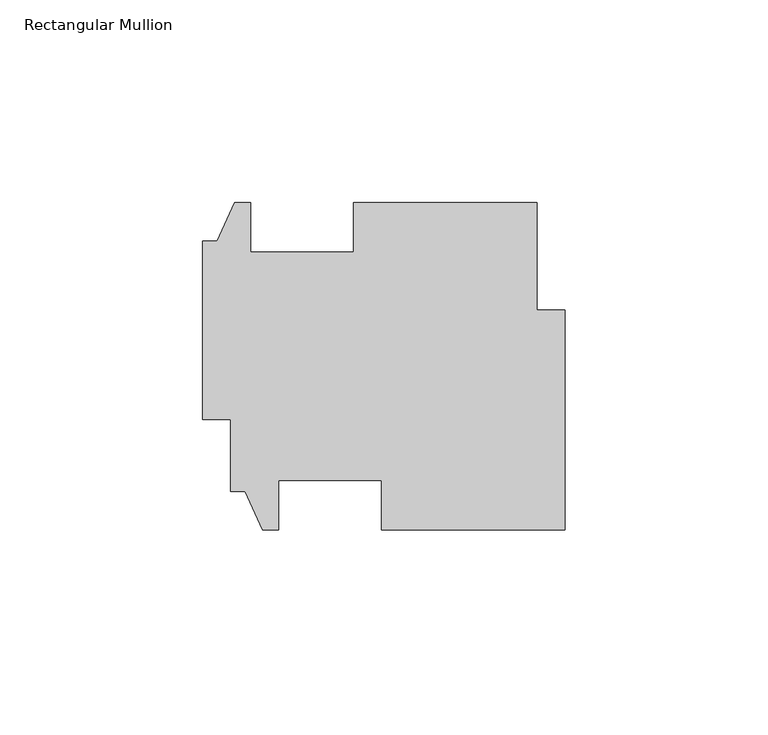
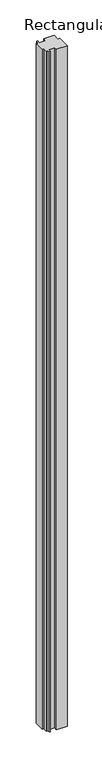
"""IFC4 building model written with IfcOpenShell, lengths in millimetres: member geometry, Rectangular Mullion."""

import ifcopenshell
import ifcopenshell.guid

model = None  # the IFC model being written
_history = None  # IfcOwnerHistory: only IFC2X3 demands one
_inside = {}  # id of a spatial element -> (the spatial element, [elements in it])
_under = {}  # id of a project, library or spatial element -> (it, [spatial elements below it])
_declared = {}  # id of a project -> (the project, [libraries it declares])
_typed = {}  # id of a type object -> (the type object, [elements of that type])
_made_of = {}  # id of a material, layer set ... -> (it, [elements and type objects made of it])


def new_model(schema):
    """Start an empty IFC model of exactly this schema.

    Asked for "IFC4X3", IfcOpenShell would pick the latest addendum, in which some entities
    have other attributes; the version numbers below select the first issue.
    IFC2X3 requires an IfcOwnerHistory on every rooted entity: one is made here for all.
    """
    global model, _history
    if schema == "IFC4X3":
        model = ifcopenshell.file(schema_version=(4, 3, 0, 0))
    else:
        model = ifcopenshell.file(schema=schema)
    _inside.clear()
    _under.clear()
    _declared.clear()
    _typed.clear()
    _made_of.clear()
    _history = None
    if model.schema == "IFC2X3":
        org = make("IfcOrganization", Name="unknown")
        user = make(
            "IfcPersonAndOrganization",
            ThePerson=make("IfcPerson", FamilyName="unknown"),
            TheOrganization=org,
        )
        app = make(
            "IfcApplication",
            ApplicationDeveloper=org,
            Version="unknown",
            ApplicationFullName="unknown",
            ApplicationIdentifier="unknown",
        )
        _history = make(
            "IfcOwnerHistory",
            OwningUser=user,
            OwningApplication=app,
            ChangeAction="ADDED",
            CreationDate=0,
        )
    return model


def make(cls, **values):
    """One entity of the class cls with the attributes given. An attribute that is None is left unset."""
    return model.create_entity(
        cls, **{name: value for name, value in values.items() if value is not None}
    )


def rooted(cls, **values):
    """An entity with a GlobalId (a new one), such as an element, a storey or a relation."""
    return make(cls, GlobalId=ifcopenshell.guid.new(), OwnerHistory=_history, **values)


def si_unit(unit_type, name, prefix=None):
    """IfcSIUnit, for example si_unit("LENGTHUNIT", "METRE", prefix="MILLI")."""
    return make("IfcSIUnit", UnitType=unit_type, Prefix=prefix, Name=name)


def assignment(units):
    """IfcUnitAssignment: the units of a project."""
    return None if units is None else make("IfcUnitAssignment", Units=units)


def point(xyz):
    """IfcCartesianPoint."""
    return None if xyz is None else make("IfcCartesianPoint", Coordinates=xyz)


def direction(xyz):
    """IfcDirection."""
    return None if xyz is None else make("IfcDirection", DirectionRatios=xyz)


def frame(location, z_axis=None, x_axis=None):
    """IfcAxis2Placement3D, a coordinate frame: its origin and axes. An axis left out is left unset."""
    return make(
        "IfcAxis2Placement3D",
        Location=point(location),
        Axis=direction(z_axis),
        RefDirection=direction(x_axis),
    )


def origin():
    """The frame at (0, 0, 0) with its axes left unset."""
    return frame((0.0, 0.0, 0.0))


def place(relative_to, where):
    """IfcLocalPlacement: puts the frame where relative to a parent placement (None: the world)."""
    return make(
        "IfcLocalPlacement", PlacementRelTo=relative_to, RelativePlacement=where
    )


def context(
    kind, dimensions, precision=None, world=None, true_north=None, identifier=None
):
    """IfcGeometricRepresentationContext, for example the 3D "Model" context."""
    return make(
        "IfcGeometricRepresentationContext",
        ContextIdentifier=identifier,
        ContextType=kind,
        CoordinateSpaceDimension=dimensions,
        Precision=precision,
        WorldCoordinateSystem=world,
        TrueNorth=true_north,
    )


def project(units=None, contexts=None):
    """IfcProject with its units and contexts."""
    return rooted(
        "IfcProject",
        Name="project",
        RepresentationContexts=contexts,
        UnitsInContext=assignment(units),
    )


def spatial(cls, under=None, at=None, **own):
    """A site, building, storey or space (cls), placed at a placement, below another one or the project."""
    s = rooted(cls, ObjectPlacement=at, **own)
    if under is not None:
        _under.setdefault(under.id(), (under, []))[1].append(s)
    return s


def polyline(points):
    """IfcPolyline through the points."""
    return make("IfcPolyline", Points=[point(p) for p in points])


def outline(outer, holes=None, kind="AREA"):
    """IfcArbitraryClosedProfileDef: a profile drawn as a closed curve; with holes, ...WithVoids."""
    if holes is None:
        return make("IfcArbitraryClosedProfileDef", ProfileType=kind, OuterCurve=outer)
    return make(
        "IfcArbitraryProfileDefWithVoids",
        ProfileType=kind,
        OuterCurve=outer,
        InnerCurves=holes,
    )


def extrude(swept, where, along, depth):
    """IfcExtrudedAreaSolid: the profile swept, set in the frame where, extruded along a direction by depth."""
    return make(
        "IfcExtrudedAreaSolid",
        SweptArea=swept,
        Position=where,
        ExtrudedDirection=direction(along),
        Depth=depth,
    )


def shape(context_of_items, identifier, shape_type, items):
    """IfcShapeRepresentation: the items that make up one representation, for example the "Body"."""
    return make(
        "IfcShapeRepresentation",
        ContextOfItems=context_of_items,
        RepresentationIdentifier=identifier,
        RepresentationType=shape_type,
        Items=items,
    )


def source(mapping_origin, context_of_items, identifier, shape_type, items):
    """IfcRepresentationMap: a shape defined once, which mapped items show again and again."""
    return make(
        "IfcRepresentationMap",
        MappingOrigin=mapping_origin,
        MappedRepresentation=shape(context_of_items, identifier, shape_type, items),
    )


def transform(
    local_origin,
    x_axis=None,
    y_axis=None,
    z_axis=None,
    scale=None,
    scale2=None,
    scale3=None,
    uniform=True,
):
    """IfcCartesianTransformationOperator3D, or its non-uniform kind. x_axis, y_axis, z_axis: its Axis1, 2, 3."""
    if uniform:
        return make(
            "IfcCartesianTransformationOperator3D",
            Axis1=direction(x_axis),
            Axis2=direction(y_axis),
            LocalOrigin=point(local_origin),
            Scale=scale,
            Axis3=direction(z_axis),
        )
    return make(
        "IfcCartesianTransformationOperator3DnonUniform",
        Axis1=direction(x_axis),
        Axis2=direction(y_axis),
        LocalOrigin=point(local_origin),
        Scale=scale,
        Axis3=direction(z_axis),
        Scale2=scale2,
        Scale3=scale3,
    )


def mapped(mapping_source, mapping_target):
    """IfcMappedItem: shows the shape of a source again, moved by a transform."""
    return make(
        "IfcMappedItem", MappingSource=mapping_source, MappingTarget=mapping_target
    )


def made_of(thing, what):
    """Note that an element or type object is made of a material, layer set ...; save() writes the relation."""
    if what is not None:
        _made_of.setdefault(what.id(), (what, []))[1].append(thing)
    return thing


def element(
    cls,
    number,
    at=None,
    inside=None,
    cuts=None,
    type_object=None,
    material=None,
    context=None,
    identifier="Body",
    shape_type=None,
    held_by="IfcProductDefinitionShape",
    body=None,
    shapes=None,
    **own,
):
    """One element of the class cls, such as IfcWall. Its Tag is "e" and its number.

    at: its placement. inside: the storey or other place that contains it. cuts: it is an
    opening in that element (IfcRelVoidsElement). A single representation is given by context,
    identifier, shape_type and body (its items); several are given by shapes. held_by: the class
    of the entity that holds the representations. save() writes the other relations.
    """
    e = rooted(cls, Tag="e%d" % number, ObjectPlacement=at, **own)
    if body is not None:
        shapes = [shape(context, identifier, shape_type, body)]
    if shapes is not None:
        e.Representation = make(held_by, Representations=shapes)
    if inside is not None:
        _inside.setdefault(inside.id(), (inside, []))[1].append(e)
    if cuts is not None:
        rooted(
            "IfcRelVoidsElement", RelatingBuildingElement=cuts, RelatedOpeningElement=e
        )
    if type_object is not None:
        _typed.setdefault(type_object.id(), (type_object, []))[1].append(e)
    return made_of(e, material)


def aggregate(whole, parts):
    """IfcRelAggregates: a whole, such as a stair, and the parts it consists of."""
    return rooted("IfcRelAggregates", RelatingObject=whole, RelatedObjects=parts)


def save(model, path):
    """Write the relations noted so far, then the file.

    IfcRelAggregates (storeys below a building ...), IfcRelContainedInSpatialStructure (elements
    in a storey), IfcRelDefinesByType, IfcRelAssociatesMaterial and IfcRelDeclares: one each for
    every whole, place, type object, material and project.
    """
    for whole, parts in _under.values():
        aggregate(whole, parts)
    for where, things in _inside.values():
        rooted(
            "IfcRelContainedInSpatialStructure",
            RelatedElements=things,
            RelatingStructure=where,
        )
    for kind, things in _typed.values():
        rooted("IfcRelDefinesByType", RelatedObjects=things, RelatingType=kind)
    for what, things in _made_of.values():
        rooted("IfcRelAssociatesMaterial", RelatedObjects=things, RelatingMaterial=what)
    for by, libraries in _declared.values():
        rooted("IfcRelDeclares", RelatingContext=by, RelatedDefinitions=libraries)
    model.write(path)


def rectangular_mullion_8085d3a0(model_context):
    return source(origin(), model_context, "Body", "SweptSolid", [
        extrude(outline(polyline([(-78.9432, -30.9216678), (-82.55, -30.9216678), (-82.55, -13.0883214), (-89.4588, -13.0883214), (-89.4588, 30.8790786), (-85.852, 30.8790786), (-81.534, 40.4040786), (-77.6224, 40.4040786), (-77.6224, 28.1866786), (-52.2224, 28.1866786), (-52.2224, 40.4040786), (-6.9088, 40.4040786), (-6.9088, 13.9093322), (0.0, 13.9093322), (0.0, -40.4466678), (-45.3136, -40.4466678), (-45.3136, -28.2292678), (-70.7136, -28.2292678), (-70.7136, -40.4466678), (-74.6252, -40.4466678), (-78.9432, -30.9216678)])), frame((0.0, 0.0, -3048.0), z_axis=(0.0, 0.0, 1.0), x_axis=(1.0, 0.0, 0.0)), (0.0, 0.0, 1.0), 3048.0),
    ])


if __name__ == "__main__":
    model = new_model("IFC4")
    model_context = context("Model", 3, world=origin())
    ifc_project = project(units=[si_unit("LENGTHUNIT", "METRE", prefix="MILLI")], contexts=[model_context])
    site = spatial("IfcSite", under=ifc_project)
    building = spatial("IfcBuilding", under=site)
    placement = place(None, origin())
    rectangular_mullion_shape = rectangular_mullion_8085d3a0(model_context)
    element("IfcMember", 1, ObjectType="Rectangular Mullion", at=placement, inside=building, context=model_context, shape_type="MappedRepresentation", body=[
        mapped(rectangular_mullion_shape, transform((0.0, 0.0, 0.0), x_axis=(1.0, 0.0, 0.0), y_axis=(0.0, 1.0, 0.0), z_axis=(0.0, 0.0, 1.0))),
    ])
    save(model, "model.ifc")
